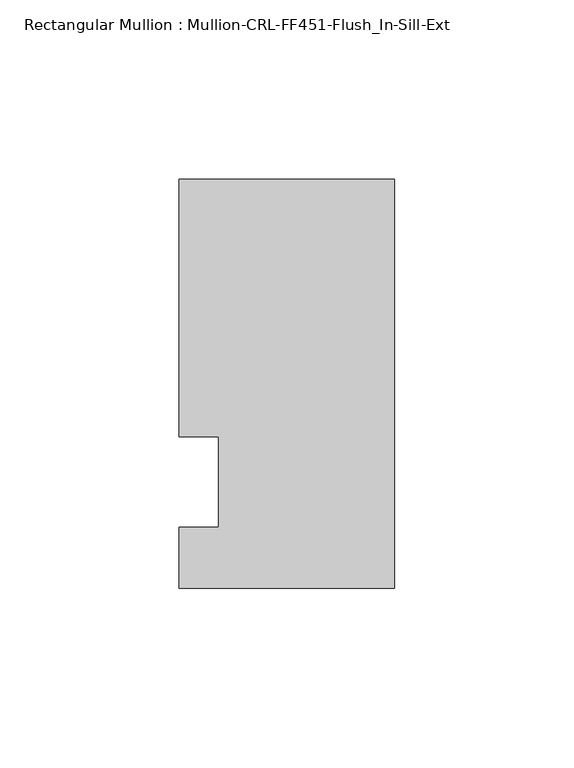
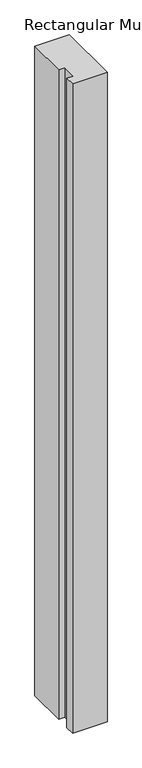
"""IFC4 building model written with IfcOpenShell, lengths in millimetres: member geometry, Rectangular Mullion : Mullion-CRL-FF451-Flush_In-Sill-Ext."""

from ifc_helpers import new_model, si_unit, frame, origin, place, context, project, spatial, polyline, outline, extrude, source, transform, mapped, element, save


def rectangular_mullion_mullion_crl_ff451_flush_in_sill_ext_8c4a41be(model_context):
    return source(origin(), model_context, "Body", "SweptSolid", [
        extrude(outline(polyline([(-60.325, -29.6696095), (-60.325, -12.7), (-49.222241, -12.7), (-49.222241, 12.7), (-60.325, 12.7), (-60.325, 84.6303905), (0.0, 84.6303905), (0.0, -29.6696095), (-60.325, -29.6696095)])), frame((0.0, 0.0, -1202.3155522), z_axis=(0.0, 0.0, 1.0), x_axis=(1.0, 0.0, 0.0)), (0.0, 0.0, 1.0), 1202.3155522),
    ])


if __name__ == "__main__":
    model = new_model("IFC4")
    model_context = context("Model", 3, world=origin())
    ifc_project = project(units=[si_unit("LENGTHUNIT", "METRE", prefix="MILLI")], contexts=[model_context])
    site = spatial("IfcSite", under=ifc_project)
    building = spatial("IfcBuilding", under=site)
    placement = place(None, origin())
    rectangular_mullion_mullion_crl_ff451_flush_in_sill_ext_shape = rectangular_mullion_mullion_crl_ff451_flush_in_sill_ext_8c4a41be(model_context)
    element("IfcMember", 1, ObjectType="Rectangular Mullion : Mullion-CRL-FF451-Flush_In-Sill-Ext", at=placement, inside=building, context=model_context, shape_type="MappedRepresentation", body=[
        mapped(rectangular_mullion_mullion_crl_ff451_flush_in_sill_ext_shape, transform((0.0, 0.0, 0.0), x_axis=(1.0, 0.0, 0.0), y_axis=(0.0, 1.0, 0.0), z_axis=(0.0, 0.0, 1.0))),
    ])
    save(model, "model.ifc")
